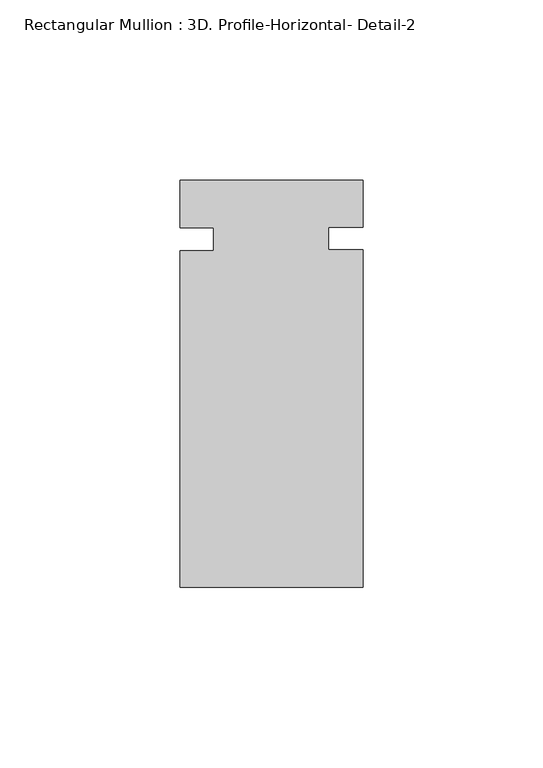
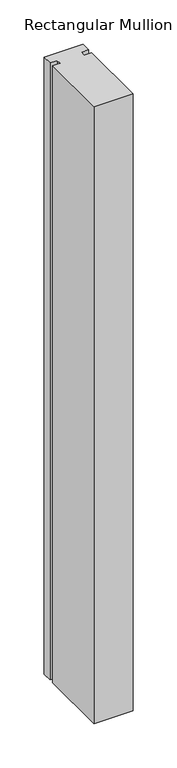
"""IFC4 building model written with IfcOpenShell, lengths in millimetres: member geometry, Rectangular Mullion : 3D. Profile-Horizontal- Detail-2."""

from ifc_helpers import new_model, si_unit, frame, origin, place, context, project, spatial, polyline, outline, extrude, source, transform, mapped, element, save


def rectangular_mullion_3d_profile_horizontal_detail_2_0a35b540(model_context):
    return source(origin(), model_context, "Body", "SweptSolid", [
        extrude(outline(polyline([(25.4, -39.2826875), (-25.4, -39.2826875), (-25.4, 54.211545), (-16.0655, 54.211545), (-16.0655, 60.561545), (-25.4, 60.561545), (-25.4, 73.7981125), (25.4, 73.7981125), (25.4, 60.7351778), (15.875, 60.7351778), (15.875, 54.3975801), (25.4, 54.3975801), (25.4, -39.2826875)])), frame((0.0, 0.0, -850.9000041), z_axis=(0.0, 0.0, 1.0), x_axis=(1.0, 0.0, 0.0)), (0.0, 0.0, 1.0), 850.9000041),
    ])


if __name__ == "__main__":
    model = new_model("IFC4")
    model_context = context("Model", 3, world=origin())
    ifc_project = project(units=[si_unit("LENGTHUNIT", "METRE", prefix="MILLI")], contexts=[model_context])
    site = spatial("IfcSite", under=ifc_project)
    building = spatial("IfcBuilding", under=site)
    placement = place(None, origin())
    rectangular_mullion_3d_profile_horizontal_detail_2_shape = rectangular_mullion_3d_profile_horizontal_detail_2_0a35b540(model_context)
    element("IfcMember", 1, ObjectType="Rectangular Mullion : 3D. Profile-Horizontal- Detail-2", at=placement, inside=building, context=model_context, shape_type="MappedRepresentation", body=[
        mapped(rectangular_mullion_3d_profile_horizontal_detail_2_shape, transform((0.0, 0.0, 0.0), x_axis=(1.0, 0.0, 0.0), y_axis=(0.0, 1.0, 0.0), z_axis=(0.0, 0.0, 1.0))),
    ])
    save(model, "model.ifc")
